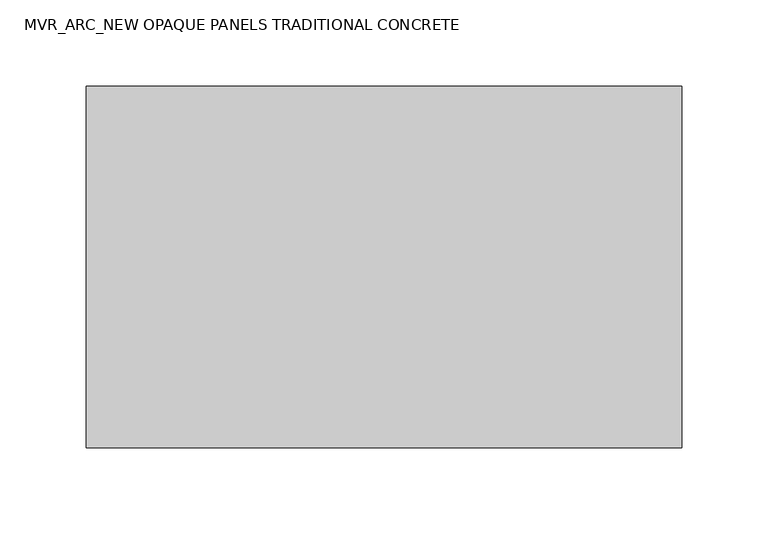
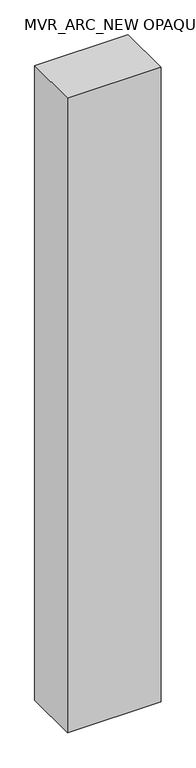
"""IFC4 building model written with IfcOpenShell, lengths in millimetres: plate geometry, MVR_ARC_NEW OPAQUE PANELS TRADITIONAL CONCRETE."""

from ifc_helpers import new_model, si_unit, origin, origin_with_axes, place, context, project, spatial, polyline, outline, extrude, source, transform, mapped, element, save


def mvr_arc_new_opaque_panels_traditional_concrete_214e5516(model_context):
    return source(origin(), model_context, "Body", "SweptSolid", [
        extrude(outline(polyline([(173.0, -150.0), (-173.0, -150.0), (-173.0, 60.0), (173.0, 60.0), (173.0, -150.0)])), origin_with_axes(), (0.0, 0.0, 1.0), 2484.4),
    ])


if __name__ == "__main__":
    model = new_model("IFC4")
    model_context = context("Model", 3, world=origin())
    ifc_project = project(units=[si_unit("LENGTHUNIT", "METRE", prefix="MILLI")], contexts=[model_context])
    site = spatial("IfcSite", under=ifc_project)
    building = spatial("IfcBuilding", under=site)
    placement = place(None, origin())
    mvr_arc_new_opaque_panels_traditional_concrete_shape = mvr_arc_new_opaque_panels_traditional_concrete_214e5516(model_context)
    element("IfcPlate", 1, ObjectType="MVR_ARC_NEW OPAQUE PANELS TRADITIONAL CONCRETE", at=placement, inside=building, context=model_context, shape_type="MappedRepresentation", body=[
        mapped(mvr_arc_new_opaque_panels_traditional_concrete_shape, transform((0.0, 0.0, 0.0), x_axis=(1.0, 0.0, 0.0), y_axis=(0.0, 1.0, 0.0), z_axis=(0.0, 0.0, 1.0))),
    ])
    save(model, "model.ifc")
